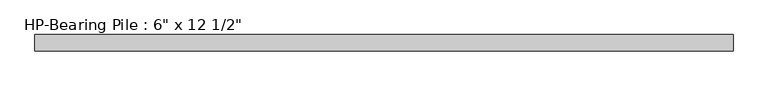
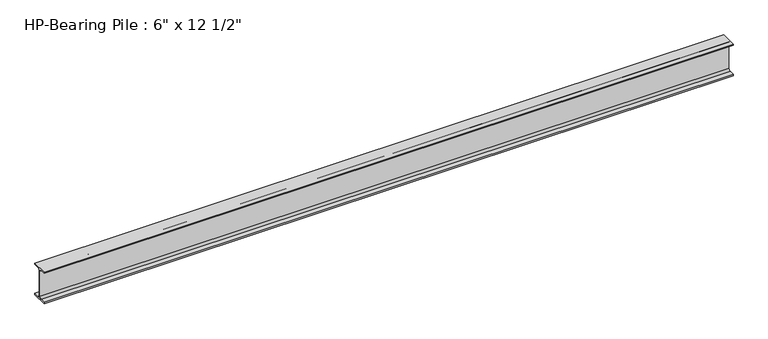
"""IFC4 building model written with IfcOpenShell, lengths in millimetres: beam geometry."""

from ifc_helpers import new_model, si_unit, point, frame, frame_2d, origin, place, context, project, spatial, polyline, circle_curve, trimmed, segment, composite_curve, outline, extrude, source, transform, mapped, element, save


def beam_092f00bd(model_context):
    return source(origin(), model_context, "Body", "SweptSolid", [
        extrude(outline(composite_curve([segment(polyline([(76.2, -146.05), (76.2, -158.75), (-76.2, -158.75), (-76.2, -146.05), (-25.4, -146.05)]), True, "CONTINUOUS"), segment(trimmed(circle_curve(frame_2d((-25.4, -127.0)), 19.05), [point((-25.4, -146.05))], [point((-6.35, -127.0))], True, "CARTESIAN"), True, "CONTINUOUS"), segment(polyline([(-6.35, -127.0), (-6.35, 127.0)]), True, "CONTINUOUS"), segment(trimmed(circle_curve(frame_2d((-25.4, 127.0)), 19.05), [point((-6.35, 127.0))], [point((-25.4, 146.05))], True, "CARTESIAN"), True, "CONTINUOUS"), segment(polyline([(-25.4, 146.05), (-76.2, 146.05), (-76.2, 158.75), (76.2, 158.75), (76.2, 146.05), (25.4, 146.05)]), True, "CONTINUOUS"), segment(trimmed(circle_curve(frame_2d((25.4, 127.0)), 19.05), [point((25.4, 146.05))], [point((6.35, 127.0))], True, "CARTESIAN"), True, "CONTINUOUS"), segment(polyline([(6.35, 127.0), (6.35, -127.0)]), True, "CONTINUOUS"), segment(trimmed(circle_curve(frame_2d((25.4, -127.0)), 19.05), [point((6.35, -127.0))], [point((25.4, -146.05))], True, "CARTESIAN"), True, "CONTINUOUS"), segment(polyline([(25.4, -146.05), (76.2, -146.05)]), True, "CONTINUOUS")], self_intersect=False)), frame((-3282.95, 0.0, 0.0), z_axis=(1.0, 0.0, 0.0), x_axis=(0.0, 1.0, 0.0)), (0.0, 0.0, 1.0), 6565.9),
    ])


if __name__ == "__main__":
    model = new_model("IFC4")
    model_context = context("Model", 3, world=origin())
    ifc_project = project(units=[si_unit("LENGTHUNIT", "METRE", prefix="MILLI")], contexts=[model_context])
    site = spatial("IfcSite", under=ifc_project)
    building = spatial("IfcBuilding", under=site)
    placement = place(None, origin())
    beam_shape = beam_092f00bd(model_context)
    element("IfcBeam", 1, ObjectType="HP-Bearing Pile : 6\" x 12 1/2\"", at=placement, inside=building, context=model_context, shape_type="MappedRepresentation", body=[
        mapped(beam_shape, transform((0.0, 0.0, 0.0), x_axis=(1.0, 0.0, 0.0), y_axis=(0.0, 1.0, 0.0), z_axis=(0.0, 0.0, 1.0))),
    ])
    save(model, "model.ifc")
